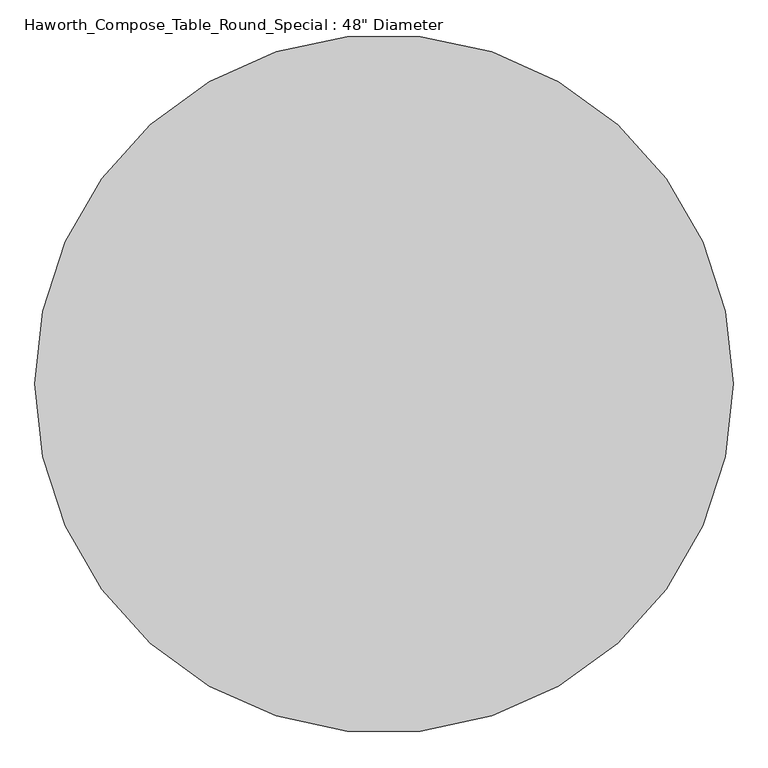
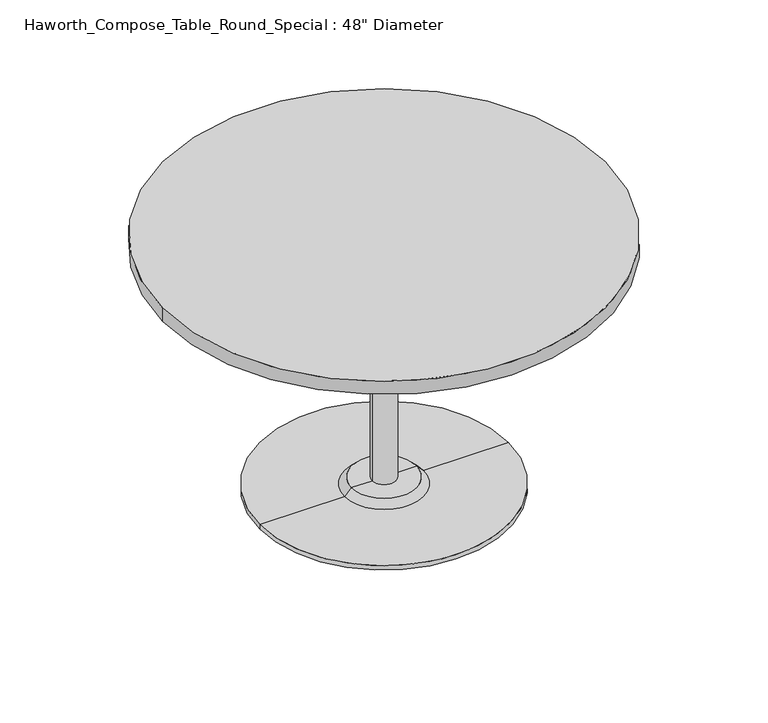
"""IFC4 building model written with IfcOpenShell, lengths in millimetres: furniture geometry."""

import ifcopenshell
import ifcopenshell.guid

model = None  # the IFC model being written
_history = None  # IfcOwnerHistory: only IFC2X3 demands one
_inside = {}  # id of a spatial element -> (the spatial element, [elements in it])
_under = {}  # id of a project, library or spatial element -> (it, [spatial elements below it])
_declared = {}  # id of a project -> (the project, [libraries it declares])
_typed = {}  # id of a type object -> (the type object, [elements of that type])
_made_of = {}  # id of a material, layer set ... -> (it, [elements and type objects made of it])


def new_model(schema):
    """Start an empty IFC model of exactly this schema.

    Asked for "IFC4X3", IfcOpenShell would pick the latest addendum, in which some entities
    have other attributes; the version numbers below select the first issue.
    IFC2X3 requires an IfcOwnerHistory on every rooted entity: one is made here for all.
    """
    global model, _history
    if schema == "IFC4X3":
        model = ifcopenshell.file(schema_version=(4, 3, 0, 0))
    else:
        model = ifcopenshell.file(schema=schema)
    _inside.clear()
    _under.clear()
    _declared.clear()
    _typed.clear()
    _made_of.clear()
    _history = None
    if model.schema == "IFC2X3":
        org = make("IfcOrganization", Name="unknown")
        user = make(
            "IfcPersonAndOrganization",
            ThePerson=make("IfcPerson", FamilyName="unknown"),
            TheOrganization=org,
        )
        app = make(
            "IfcApplication",
            ApplicationDeveloper=org,
            Version="unknown",
            ApplicationFullName="unknown",
            ApplicationIdentifier="unknown",
        )
        _history = make(
            "IfcOwnerHistory",
            OwningUser=user,
            OwningApplication=app,
            ChangeAction="ADDED",
            CreationDate=0,
        )
    return model


def make(cls, **values):
    """One entity of the class cls with the attributes given. An attribute that is None is left unset."""
    return model.create_entity(
        cls, **{name: value for name, value in values.items() if value is not None}
    )


def rooted(cls, **values):
    """An entity with a GlobalId (a new one), such as an element, a storey or a relation."""
    return make(cls, GlobalId=ifcopenshell.guid.new(), OwnerHistory=_history, **values)


def si_unit(unit_type, name, prefix=None):
    """IfcSIUnit, for example si_unit("LENGTHUNIT", "METRE", prefix="MILLI")."""
    return make("IfcSIUnit", UnitType=unit_type, Prefix=prefix, Name=name)


def assignment(units):
    """IfcUnitAssignment: the units of a project."""
    return None if units is None else make("IfcUnitAssignment", Units=units)


def point(xyz):
    """IfcCartesianPoint."""
    return None if xyz is None else make("IfcCartesianPoint", Coordinates=xyz)


def direction(xyz):
    """IfcDirection."""
    return None if xyz is None else make("IfcDirection", DirectionRatios=xyz)


def frame(location, z_axis=None, x_axis=None):
    """IfcAxis2Placement3D, a coordinate frame: its origin and axes. An axis left out is left unset."""
    return make(
        "IfcAxis2Placement3D",
        Location=point(location),
        Axis=direction(z_axis),
        RefDirection=direction(x_axis),
    )


def frame_2d(location, x_axis=None):
    """IfcAxis2Placement2D, a coordinate frame in the plane: its origin and x axis."""
    return make(
        "IfcAxis2Placement2D", Location=point(location), RefDirection=direction(x_axis)
    )


def origin():
    """The frame at (0, 0, 0) with its axes left unset."""
    return frame((0.0, 0.0, 0.0))


def place(relative_to, where):
    """IfcLocalPlacement: puts the frame where relative to a parent placement (None: the world)."""
    return make(
        "IfcLocalPlacement", PlacementRelTo=relative_to, RelativePlacement=where
    )


def context(
    kind, dimensions, precision=None, world=None, true_north=None, identifier=None
):
    """IfcGeometricRepresentationContext, for example the 3D "Model" context."""
    return make(
        "IfcGeometricRepresentationContext",
        ContextIdentifier=identifier,
        ContextType=kind,
        CoordinateSpaceDimension=dimensions,
        Precision=precision,
        WorldCoordinateSystem=world,
        TrueNorth=true_north,
    )


def project(units=None, contexts=None):
    """IfcProject with its units and contexts."""
    return rooted(
        "IfcProject",
        Name="project",
        RepresentationContexts=contexts,
        UnitsInContext=assignment(units),
    )


def spatial(cls, under=None, at=None, **own):
    """A site, building, storey or space (cls), placed at a placement, below another one or the project."""
    s = rooted(cls, ObjectPlacement=at, **own)
    if under is not None:
        _under.setdefault(under.id(), (under, []))[1].append(s)
    return s


def polyline(points):
    """IfcPolyline through the points."""
    return make("IfcPolyline", Points=[point(p) for p in points])


def circle_curve(where, radius):
    """IfcCircle in the frame where."""
    return make("IfcCircle", Position=where, Radius=radius)


def trimmed(basis, trim1, trim2, sense, master):
    """IfcTrimmedCurve: the piece of a basis curve between two trims."""
    return make(
        "IfcTrimmedCurve",
        BasisCurve=basis,
        Trim1=trim1,
        Trim2=trim2,
        SenseAgreement=sense,
        MasterRepresentation=master,
    )


def segment(curve, same_sense, transition):
    """IfcCompositeCurveSegment."""
    return make(
        "IfcCompositeCurveSegment",
        Transition=transition,
        SameSense=same_sense,
        ParentCurve=curve,
    )


def composite_curve(segments, self_intersect=None):
    """IfcCompositeCurve: segments joined end to end."""
    return make("IfcCompositeCurve", Segments=segments, SelfIntersect=self_intersect)


def outline(outer, holes=None, kind="AREA"):
    """IfcArbitraryClosedProfileDef: a profile drawn as a closed curve; with holes, ...WithVoids."""
    if holes is None:
        return make("IfcArbitraryClosedProfileDef", ProfileType=kind, OuterCurve=outer)
    return make(
        "IfcArbitraryProfileDefWithVoids",
        ProfileType=kind,
        OuterCurve=outer,
        InnerCurves=holes,
    )


def extrude(swept, where, along, depth):
    """IfcExtrudedAreaSolid: the profile swept, set in the frame where, extruded along a direction by depth."""
    return make(
        "IfcExtrudedAreaSolid",
        SweptArea=swept,
        Position=where,
        ExtrudedDirection=direction(along),
        Depth=depth,
    )


def shape(context_of_items, identifier, shape_type, items):
    """IfcShapeRepresentation: the items that make up one representation, for example the "Body"."""
    return make(
        "IfcShapeRepresentation",
        ContextOfItems=context_of_items,
        RepresentationIdentifier=identifier,
        RepresentationType=shape_type,
        Items=items,
    )


def source(mapping_origin, context_of_items, identifier, shape_type, items):
    """IfcRepresentationMap: a shape defined once, which mapped items show again and again."""
    return make(
        "IfcRepresentationMap",
        MappingOrigin=mapping_origin,
        MappedRepresentation=shape(context_of_items, identifier, shape_type, items),
    )


def transform(
    local_origin,
    x_axis=None,
    y_axis=None,
    z_axis=None,
    scale=None,
    scale2=None,
    scale3=None,
    uniform=True,
):
    """IfcCartesianTransformationOperator3D, or its non-uniform kind. x_axis, y_axis, z_axis: its Axis1, 2, 3."""
    if uniform:
        return make(
            "IfcCartesianTransformationOperator3D",
            Axis1=direction(x_axis),
            Axis2=direction(y_axis),
            LocalOrigin=point(local_origin),
            Scale=scale,
            Axis3=direction(z_axis),
        )
    return make(
        "IfcCartesianTransformationOperator3DnonUniform",
        Axis1=direction(x_axis),
        Axis2=direction(y_axis),
        LocalOrigin=point(local_origin),
        Scale=scale,
        Axis3=direction(z_axis),
        Scale2=scale2,
        Scale3=scale3,
    )


def mapped(mapping_source, mapping_target):
    """IfcMappedItem: shows the shape of a source again, moved by a transform."""
    return make(
        "IfcMappedItem", MappingSource=mapping_source, MappingTarget=mapping_target
    )


def made_of(thing, what):
    """Note that an element or type object is made of a material, layer set ...; save() writes the relation."""
    if what is not None:
        _made_of.setdefault(what.id(), (what, []))[1].append(thing)
    return thing


def element(
    cls,
    number,
    at=None,
    inside=None,
    cuts=None,
    type_object=None,
    material=None,
    context=None,
    identifier="Body",
    shape_type=None,
    held_by="IfcProductDefinitionShape",
    body=None,
    shapes=None,
    **own,
):
    """One element of the class cls, such as IfcWall. Its Tag is "e" and its number.

    at: its placement. inside: the storey or other place that contains it. cuts: it is an
    opening in that element (IfcRelVoidsElement). A single representation is given by context,
    identifier, shape_type and body (its items); several are given by shapes. held_by: the class
    of the entity that holds the representations. save() writes the other relations.
    """
    e = rooted(cls, Tag="e%d" % number, ObjectPlacement=at, **own)
    if body is not None:
        shapes = [shape(context, identifier, shape_type, body)]
    if shapes is not None:
        e.Representation = make(held_by, Representations=shapes)
    if inside is not None:
        _inside.setdefault(inside.id(), (inside, []))[1].append(e)
    if cuts is not None:
        rooted(
            "IfcRelVoidsElement", RelatingBuildingElement=cuts, RelatedOpeningElement=e
        )
    if type_object is not None:
        _typed.setdefault(type_object.id(), (type_object, []))[1].append(e)
    return made_of(e, material)


def aggregate(whole, parts):
    """IfcRelAggregates: a whole, such as a stair, and the parts it consists of."""
    return rooted("IfcRelAggregates", RelatingObject=whole, RelatedObjects=parts)


def save(model, path):
    """Write the relations noted so far, then the file.

    IfcRelAggregates (storeys below a building ...), IfcRelContainedInSpatialStructure (elements
    in a storey), IfcRelDefinesByType, IfcRelAssociatesMaterial and IfcRelDeclares: one each for
    every whole, place, type object, material and project.
    """
    for whole, parts in _under.values():
        aggregate(whole, parts)
    for where, things in _inside.values():
        rooted(
            "IfcRelContainedInSpatialStructure",
            RelatedElements=things,
            RelatingStructure=where,
        )
    for kind, things in _typed.values():
        rooted("IfcRelDefinesByType", RelatedObjects=things, RelatingType=kind)
    for what, things in _made_of.values():
        rooted("IfcRelAssociatesMaterial", RelatedObjects=things, RelatingMaterial=what)
    for by, libraries in _declared.values():
        rooted("IfcRelDeclares", RelatingContext=by, RelatedDefinitions=libraries)
    model.write(path)


def plane_surface(at):
    """IfcPlane: the flat surface through the origin of the frame at, square to its z axis."""
    return make("IfcPlane", Position=at)


def cylinder_surface(at, radius):
    """IfcCylindricalSurface: all points at the distance radius from the z axis of the frame at."""
    return make("IfcCylindricalSurface", Position=at, Radius=radius)


def revolved_surface(curve, axis_point, axis_direction):
    """IfcSurfaceOfRevolution: the curve turned about the line through axis_point along axis_direction."""
    return make(
        "IfcSurfaceOfRevolution",
        SweptCurve=make("IfcArbitraryOpenProfileDef", ProfileType="CURVE", Curve=curve),
        AxisPosition=make("IfcAxis1Placement", Location=point(axis_point), Axis=direction(axis_direction)),
    )


def advanced_brep(points, edges, surfaces, faces):
    """IfcAdvancedBrep: a solid bounded by faces that lie on surfaces and meet in shared edges.

    An edge is (start, end): straight between two places in points (the first is 0);
    or (start, end, curve); or (start, end, curve, False) where it runs against its curve.
    A face is (place in surfaces, loops), or (place, loops, False) where it looks against
    its surface's normal. A loop lists edges by number (the first is 1), with a minus sign
    where the edge is run from its end to its start. The first loop is the outer one.
    """
    corners = [point(p) for p in points]
    vertices = [make("IfcVertexPoint", VertexGeometry=c) for c in corners]
    made = []
    for start, end, *more in edges:
        made.append(
            make(
                "IfcEdgeCurve",
                EdgeStart=vertices[start],
                EdgeEnd=vertices[end],
                EdgeGeometry=more[0] if more else make("IfcPolyline", Points=[corners[start], corners[end]]),
                SameSense=more[1] if len(more) > 1 else True,
            )
        )
    hull = []
    for where, loops, *sense in faces:
        bounds = []
        for j, loop in enumerate(loops):
            ring = [make("IfcOrientedEdge", EdgeElement=made[abs(k) - 1], Orientation=k > 0) for k in loop]
            bounds.append(
                make(
                    "IfcFaceOuterBound" if j == 0 else "IfcFaceBound",
                    Bound=make("IfcEdgeLoop", EdgeList=ring),
                    Orientation=True,
                )
            )
        hull.append(make("IfcAdvancedFace", Bounds=bounds, FaceSurface=surfaces[where], SameSense=sense[0] if sense else True))
    return make("IfcAdvancedBrep", Outer=make("IfcClosedShell", CfsFaces=hull))


def furniture_9ace469d(model_context):
    return source(origin(), model_context, "Body", "SolidModel", [
        advanced_brep(
        [(32.573978, 139.7, 698.5), (-32.573978, 139.7, 698.5), (0.0, 139.7, 698.5), (32.573978, 139.7, 31.75), (-32.573978, 139.7, 31.75), (89.723978, 139.7, 31.75), (-89.723978, 139.7, 31.75), (342.9, 139.7, 0.0), (-342.9, 139.7, 0.0), (-342.9, 139.7, 12.7), (342.9, 139.7, 12.7), (0.0, 139.7, 0.0), (108.773978, 139.7, 12.7), (-108.773978, 139.7, 12.7)],
        [
            (0, 1, circle_curve(frame((0.0, 139.7, 698.5), z_axis=(0.0, 0.0, 1.0), x_axis=(-1.0, 0.0, 0.0)), 32.573978)),
            (1, 2),
            (2, 0),
            (1, 0, circle_curve(frame((0.0, 139.7, 698.5), z_axis=(0.0, 0.0, 1.0), x_axis=(-1.0, 0.0, 0.0)), 32.573978)),
            (3, 4, circle_curve(frame((0.0, 139.7, 31.75), z_axis=(0.0, 0.0, 1.0), x_axis=(-1.0, 0.0, 0.0)), 32.573978)),
            (4, 1),
            (0, 3),
            (4, 3, circle_curve(frame((0.0, 139.7, 31.75), z_axis=(0.0, 0.0, 1.0), x_axis=(-1.0, 0.0, 0.0)), 32.573978)),
            (5, 6, circle_curve(frame((0.0, 139.7, 31.75), z_axis=(0.0, 0.0, 1.0), x_axis=(-1.0, 0.0, 0.0)), 89.723978)),
            (6, 4),
            (3, 5),
            (6, 5, circle_curve(frame((0.0, 139.7, 31.75), z_axis=(0.0, 0.0, 1.0), x_axis=(-1.0, 0.0, 0.0)), 89.723978)),
            (7, 8, circle_curve(frame((0.0, 139.7, 0.0), z_axis=(0.0, 0.0, 1.0), x_axis=(-1.0, 0.0, 0.0)), 342.9)),
            (8, 9),
            (9, 10, circle_curve(frame((0.0, 139.7, 12.7), z_axis=(0.0, 0.0, -1.0), x_axis=(-1.0, 0.0, 0.0)), 342.9)),
            (10, 7),
            (8, 7, circle_curve(frame((0.0, 139.7, 0.0), z_axis=(0.0, 0.0, 1.0), x_axis=(-1.0, 0.0, 0.0)), 342.9)),
            (10, 9, circle_curve(frame((0.0, 139.7, 12.7), z_axis=(0.0, 0.0, -1.0), x_axis=(-1.0, 0.0, 0.0)), 342.9)),
            (11, 8),
            (7, 11),
            (12, 13, circle_curve(frame((0.0, 139.7, 12.7), z_axis=(0.0, 0.0, 1.0), x_axis=(-1.0, 0.0, 0.0)), 108.773978)),
            (13, 6),
            (5, 12),
            (13, 12, circle_curve(frame((0.0, 139.7, 12.7), z_axis=(0.0, 0.0, 1.0), x_axis=(-1.0, 0.0, 0.0)), 108.773978)),
            (9, 13),
            (12, 10),
        ],
        [
            plane_surface(frame((0.0, 139.7, 698.5), z_axis=(0.0, 0.0, 1.0), x_axis=(-1.0, 0.0, 0.0))),
            cylinder_surface(frame((0.0, 139.7, 881.685757), z_axis=(0.0, 0.0, -1.0), x_axis=(-1.0, 0.0, 0.0)), 32.573978),
            plane_surface(frame((0.0, 139.7, 31.75), z_axis=(0.0, 0.0, 1.0), x_axis=(-1.0, 0.0, 0.0))),
            cylinder_surface(frame((0.0, 139.7, 881.685757), z_axis=(0.0, 0.0, -1.0), x_axis=(-1.0, 0.0, 0.0)), 342.9),
            plane_surface(frame((0.0, 139.7, 0.0), z_axis=(0.0, 0.0, -1.0), x_axis=(-1.0, 0.0, 0.0))),
            revolved_surface(polyline([(-89.723978, 139.7, 31.75), (-108.773978, 139.7, 12.7)]), (0.0, 139.7, 881.685757), (0.0, 0.0, -1.0)),
            plane_surface(frame((0.0, 139.7, 12.7), z_axis=(0.0, 0.0, 1.0), x_axis=(-1.0, 0.0, 0.0))),
        ],
        [
            (0, [[1, 2, 3]]),
            (0, [[4, -3, -2]]),
            (1, [[5, 6, -1, 7]]),
            (1, [[8, -7, -4, -6]]),
            (2, [[9, 10, -5, 11]]),
            (2, [[12, -11, -8, -10]]),
            (3, [[13, 14, 15, 16]]),
            (3, [[17, -16, 18, -14]]),
            (4, [[19, -13, 20]]),
            (4, [[-20, -17, -19]]),
            (5, [[21, 22, -9, 23]]),
            (5, [[24, -23, -12, -22]]),
            (6, [[-15, 25, -21, 26]]),
            (6, [[-18, -26, -24, -25]]),
        ],
    ),
        extrude(outline(composite_curve([segment(trimmed(circle_curve(frame_2d((0.0, 139.7)), 609.6), [point((-609.6, 139.7))], [point((609.6, 139.7))], False, "CARTESIAN"), True, "CONTINUOUS"), segment(trimmed(circle_curve(frame_2d((0.0, 139.7)), 609.6), [point((609.6, 139.7))], [point((-609.6, 139.7))], False, "CARTESIAN"), True, "CONTINUOUS")], self_intersect=False)), frame((0.0, 0.0, 698.5), z_axis=(0.0, 0.0, 1.0), x_axis=(1.0, 0.0, 0.0)), (0.0, 0.0, 1.0), 38.1),
    ])


if __name__ == "__main__":
    model = new_model("IFC4")
    model_context = context("Model", 3, world=origin())
    ifc_project = project(units=[si_unit("LENGTHUNIT", "METRE", prefix="MILLI")], contexts=[model_context])
    site = spatial("IfcSite", under=ifc_project)
    building = spatial("IfcBuilding", under=site)
    placement = place(None, origin())
    furniture_shape = furniture_9ace469d(model_context)
    element("IfcFurniture", 1, ObjectType="Haworth_Compose_Table_Round_Special : 48\" Diameter", at=placement, inside=building, context=model_context, shape_type="MappedRepresentation", body=[
        mapped(furniture_shape, transform((0.0, 0.0, 0.0), x_axis=(1.0, 0.0, 0.0), y_axis=(0.0, 1.0, 0.0), z_axis=(0.0, 0.0, 1.0))),
    ])
    save(model, "model.ifc")
